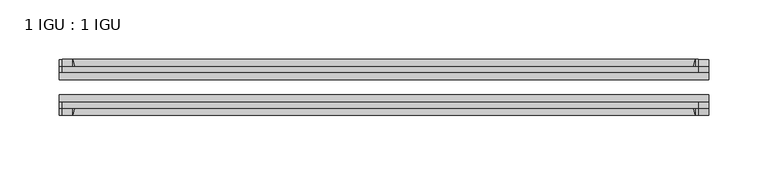
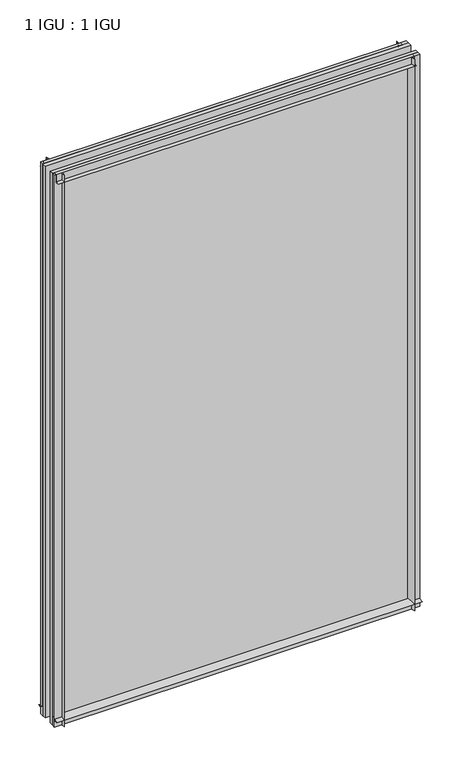
"""IFC4 building model written with IfcOpenShell, lengths in millimetres: plate geometry, 1 IGU : 1 IGU."""

from ifc_helpers import new_model, si_unit, point, frame, frame_2d, origin, place, context, project, spatial, polyline, circle_curve, trimmed, segment, composite_curve, outline, extrude, source, transform, mapped, element, save


def plate_1_igu_1_igu_6bd790ff(model_context):
    return source(origin(), model_context, "Body", "SweptSolid", [
        extrude(outline(composite_curve([segment(trimmed(circle_curve(frame_2d((-28.0741797, 32.2797688)), 32.7673262), [point((-44.45, 3.8979053))], [point((-33.7058, 1.48e-05))], True, "CARTESIAN"), True, "CONTINUOUS"), segment(polyline([(-33.7058, 1.48e-05), (-39.6748, 1.48e-05), (-39.6748, -10.31875), (-44.45, -10.31875), (-44.45, 3.8979053)]), True, "CONTINUOUS")], self_intersect=False)), frame((-273.1833665, 0.0, 0.0), z_axis=(1.0, 0.0, 0.0), x_axis=(0.0, 1.0, 0.0)), (0.0, 0.0, 1.0), 546.366733),
        extrude(outline(composite_curve([segment(trimmed(circle_curve(frame_2d((-86.2258203, 32.2797602)), 32.7673262), [point((-80.5942354, 0.0))], [point((-69.85, 3.8978967))], True, "CARTESIAN"), True, "CONTINUOUS"), segment(polyline([(-69.85, 3.8978967), (-69.85, -10.31875), (-74.6252, -10.31875), (-74.6252, 0.0), (-80.5942354, 0.0)]), True, "CONTINUOUS")], self_intersect=False)), frame((-273.1833665, 0.0, 0.0), z_axis=(1.0, 0.0, 0.0), x_axis=(0.0, 1.0, 0.0)), (0.0, 0.0, 1.0), 546.366733),
        extrude(outline(composite_curve([segment(polyline([(-80.5942, 850.9), (-74.6252, 850.9), (-74.6252, 862.0125), (-69.85, 862.0125), (-69.85, 847.0021095)]), True, "CONTINUOUS"), segment(trimmed(circle_curve(frame_2d((-86.2258203, 818.620246)), 32.7673262), [point((-69.85, 847.0021095))], [point((-80.5942, 850.9))], True, "CARTESIAN"), True, "CONTINUOUS")], self_intersect=False)), frame((-270.5836052, 0.0, 0.0), z_axis=(1.0, 0.0, 0.0), x_axis=(0.0, 1.0, 0.0)), (0.0, 0.0, 1.0), 535.2004331),
        extrude(outline(composite_curve([segment(polyline([(-39.6748, 862.0125), (-39.6748, 850.9), (-33.7058, 850.9)]), True, "CONTINUOUS"), segment(trimmed(circle_curve(frame_2d((-28.0741797, 818.620246)), 32.7673262), [point((-33.7058, 850.9))], [point((-44.45, 847.0021095))], True, "CARTESIAN"), True, "CONTINUOUS"), segment(polyline([(-44.45, 847.0021095), (-44.45, 862.0125), (-39.6748, 862.0125)]), True, "CONTINUOUS")], self_intersect=False)), frame((-270.5836052, 0.0, 0.0), z_axis=(1.0, 0.0, 0.0), x_axis=(0.0, 1.0, 0.0)), (0.0, 0.0, 1.0), 535.2004331),
        extrude(outline(composite_curve([segment(polyline([(273.1833665, -39.6748), (273.1833665, -44.45), (258.172976, -44.45)]), True, "CONTINUOUS"), segment(trimmed(circle_curve(frame_2d((229.7911126, -28.0741797)), 32.7673262), [point((258.172976, -44.45))], [point((262.0708665, -33.7058))], True, "CARTESIAN"), True, "CONTINUOUS"), segment(polyline([(262.0708665, -33.7058), (262.0708665, -39.6748), (273.1833665, -39.6748)]), True, "CONTINUOUS")], self_intersect=False)), frame((0.0, 0.0, -10.31875), z_axis=(0.0, 0.0, 1.0), x_axis=(1.0, 0.0, 0.0)), (0.0, 0.0, 1.0), 872.33125),
        extrude(outline(composite_curve([segment(polyline([(273.1833665, -69.85), (273.1833665, -74.6252), (262.0708665, -74.6252), (262.0708665, -80.5942)]), True, "CONTINUOUS"), segment(trimmed(circle_curve(frame_2d((229.7911126, -86.2258203)), 32.7673262), [point((262.0708665, -80.5942))], [point((258.172976, -69.85))], True, "CARTESIAN"), True, "CONTINUOUS"), segment(polyline([(258.172976, -69.85), (273.1833665, -69.85)]), True, "CONTINUOUS")], self_intersect=False)), frame((0.0, 0.0, -10.31875), z_axis=(0.0, 0.0, 1.0), x_axis=(1.0, 0.0, 0.0)), (0.0, 0.0, 1.0), 872.33125),
        extrude(outline(composite_curve([segment(polyline([(-273.1833665, -39.6748), (-262.0708665, -39.6748), (-262.0708665, -33.7058)]), True, "CONTINUOUS"), segment(trimmed(circle_curve(frame_2d((-229.7911126, -28.0741797)), 32.7673262), [point((-262.0708665, -33.7058))], [point((-258.172976, -44.45))], True, "CARTESIAN"), True, "CONTINUOUS"), segment(polyline([(-258.172976, -44.45), (-273.1833665, -44.45), (-273.1833665, -39.6748)]), True, "CONTINUOUS")], self_intersect=False)), frame((0.0, 0.0, -10.31875), z_axis=(0.0, 0.0, 1.0), x_axis=(1.0, 0.0, 0.0)), (0.0, 0.0, 1.0), 872.33125),
        extrude(outline(composite_curve([segment(polyline([(-273.1833665, -74.6252), (-273.1833665, -69.85), (-258.172976, -69.85)]), True, "CONTINUOUS"), segment(trimmed(circle_curve(frame_2d((-229.7911126, -86.2258203)), 32.7673262), [point((-258.172976, -69.85))], [point((-262.0708665, -80.5942))], True, "CARTESIAN"), True, "CONTINUOUS"), segment(polyline([(-262.0708665, -80.5942), (-262.0708665, -74.6252), (-273.1833665, -74.6252)]), True, "CONTINUOUS")], self_intersect=False)), frame((0.0, 0.0, -10.31875), z_axis=(0.0, 0.0, 1.0), x_axis=(1.0, 0.0, 0.0)), (0.0, 0.0, 1.0), 872.33125),
        extrude(outline(polyline([(-273.1833665, -69.85), (-273.1833665, -63.5508), (273.1833665, -63.5508), (273.1833665, -69.85), (-273.1833665, -69.85)])), frame((0.0, 0.0, -10.31875), z_axis=(0.0, 0.0, 1.0), x_axis=(1.0, 0.0, 0.0)), (0.0, 0.0, 1.0), 872.33125),
        extrude(outline(polyline([(273.1833665, -50.7492), (-273.1833665, -50.7492), (-273.1833665, -44.45), (273.1833665, -44.45), (273.1833665, -50.7492)])), frame((0.0, 0.0, -10.31875), z_axis=(0.0, 0.0, 1.0), x_axis=(1.0, 0.0, 0.0)), (0.0, 0.0, 1.0), 872.33125),
    ])


if __name__ == "__main__":
    model = new_model("IFC4")
    model_context = context("Model", 3, world=origin())
    ifc_project = project(units=[si_unit("LENGTHUNIT", "METRE", prefix="MILLI")], contexts=[model_context])
    site = spatial("IfcSite", under=ifc_project)
    building = spatial("IfcBuilding", under=site)
    placement = place(None, origin())
    plate_1_igu_1_igu_shape = plate_1_igu_1_igu_6bd790ff(model_context)
    element("IfcPlate", 1, ObjectType="1 IGU : 1 IGU", at=placement, inside=building, context=model_context, shape_type="MappedRepresentation", body=[
        mapped(plate_1_igu_1_igu_shape, transform((0.0, 0.0, 0.0), x_axis=(1.0, 0.0, 0.0), y_axis=(0.0, 1.0, 0.0), z_axis=(0.0, 0.0, 1.0))),
    ])
    save(model, "model.ifc")
